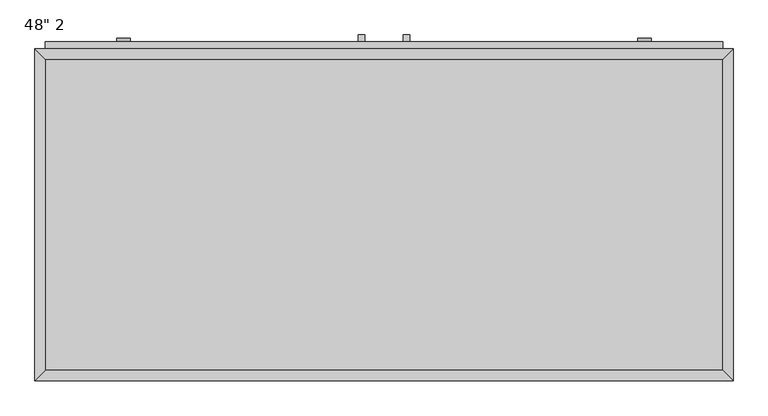
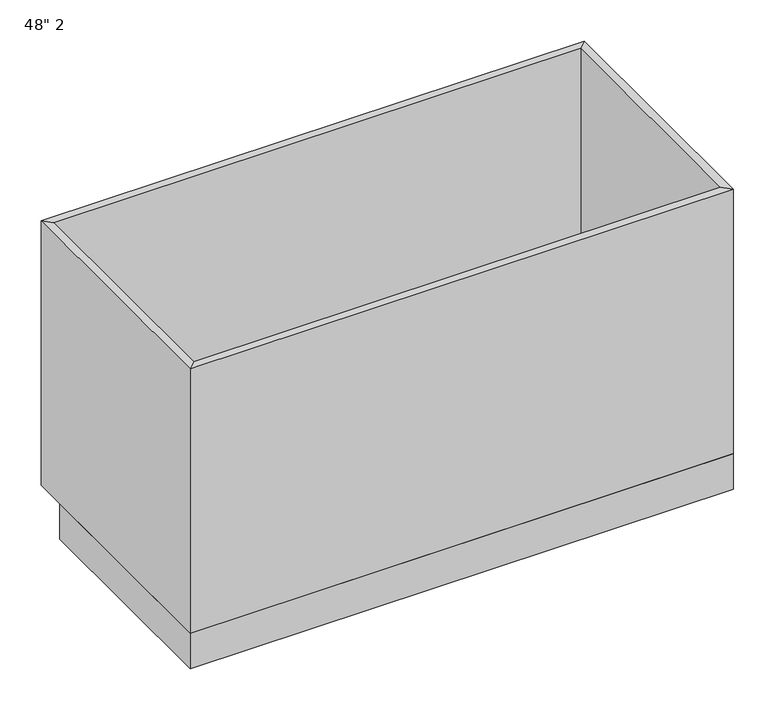
"""IFC4 building model written with IfcOpenShell, lengths in millimetres: furniture geometry."""

from ifc_helpers import new_model, si_unit, point, frame, frame_2d, origin, origin_with_axes, place, context, project, spatial, polyline, circle_curve, trimmed, segment, composite_curve, outline, extrude, faceted_brep, source, transform, mapped, element, save


def furniture_d9934db2(model_context):
    return source(origin(), model_context, "Body", "SolidModel", [
        extrude(outline(polyline([(55.91996, 635.0), (55.91996, 622.3), (43.21996, 622.3), (43.21996, 635.0), (55.91996, 635.0)])), frame((0.0, 0.0, 469.9), z_axis=(0.0, 0.0, 1.0), x_axis=(1.0, 0.0, 0.0)), (0.0, 0.0, 1.0), 101.6),
        extrude(outline(polyline([(138.46996, 635.0), (138.46996, 622.3), (125.76996, 622.3), (125.76996, 635.0), (138.46996, 635.0)])), frame((0.0, 0.0, 469.9), z_axis=(0.0, 0.0, 1.0), x_axis=(1.0, 0.0, 0.0)), (0.0, 0.0, 1.0), 101.6),
        extrude(outline(composite_curve([segment(trimmed(circle_curve(frame_2d((484.1875, -387.78629)), 12.7), [point((484.1875, -400.48629))], [point((484.1875, -375.08629))], False, "CARTESIAN"), True, "CONTINUOUS"), segment(trimmed(circle_curve(frame_2d((484.1875, -387.78629)), 12.7), [point((484.1875, -375.08629))], [point((484.1875, -400.48629))], False, "CARTESIAN"), True, "CONTINUOUS")], self_intersect=False)), frame((0.0, 622.3, 0.0), z_axis=(0.0, 1.0, 0.0), x_axis=(0.0, 0.0, 1.0)), (0.0, 0.0, 1.0), 6.35),
        extrude(outline(composite_curve([segment(trimmed(circle_curve(frame_2d((233.3625, -387.78629)), 12.7), [point((233.3625, -400.48629))], [point((233.3625, -375.08629))], False, "CARTESIAN"), True, "CONTINUOUS"), segment(trimmed(circle_curve(frame_2d((233.3625, -387.78629)), 12.7), [point((233.3625, -375.08629))], [point((233.3625, -400.48629))], False, "CARTESIAN"), True, "CONTINUOUS")], self_intersect=False)), frame((0.0, 622.3, 0.0), z_axis=(0.0, 1.0, 0.0), x_axis=(0.0, 0.0, 1.0)), (0.0, 0.0, 1.0), 6.35),
        extrude(outline(composite_curve([segment(trimmed(circle_curve(frame_2d((233.3625, 569.47621)), 12.7), [point((233.3625, 556.77621))], [point((233.3625, 582.17621))], False, "CARTESIAN"), True, "CONTINUOUS"), segment(trimmed(circle_curve(frame_2d((233.3625, 569.47621)), 12.7), [point((233.3625, 582.17621))], [point((233.3625, 556.77621))], False, "CARTESIAN"), True, "CONTINUOUS")], self_intersect=False)), frame((0.0, 622.3, 0.0), z_axis=(0.0, 1.0, 0.0), x_axis=(0.0, 0.0, 1.0)), (0.0, 0.0, 1.0), 6.35),
        extrude(outline(composite_curve([segment(trimmed(circle_curve(frame_2d((484.1875, 569.47621)), 12.7), [point((484.1875, 556.77621))], [point((484.1875, 582.17621))], False, "CARTESIAN"), True, "CONTINUOUS"), segment(trimmed(circle_curve(frame_2d((484.1875, 569.47621)), 12.7), [point((484.1875, 582.17621))], [point((484.1875, 556.77621))], False, "CARTESIAN"), True, "CONTINUOUS")], self_intersect=False)), frame((0.0, 622.3, 0.0), z_axis=(0.0, 1.0, 0.0), x_axis=(0.0, 0.0, 1.0)), (0.0, 0.0, 1.0), 6.35),
        extrude(outline(polyline([(713.14496, 19.05), (-531.45504, 19.05), (-531.45504, 590.55), (713.14496, 590.55), (713.14496, 19.05)])), frame((0.0, 0.0, 88.9), z_axis=(0.0, 0.0, 1.0), x_axis=(1.0, 0.0, 0.0)), (0.0, 0.0, 1.0), 19.05),
        faceted_brep([(713.14496, 590.55, 749.3), (-531.45504, 590.55, 749.3), (-531.45504, 590.55, 88.9), (713.14496, 590.55, 88.9), (732.19496, 609.6, 749.3), (-550.50504, 609.6, 749.3), (732.19496, 609.6, 88.9), (-550.50504, 609.6, 88.9), (-531.45504, 19.05, 749.3), (-531.45504, 19.05, 88.9), (-550.50504, 0.0, 749.3), (-550.50504, 0.0, 88.9), (713.14496, 19.05, 749.3), (713.14496, 19.05, 88.9), (732.19496, 0.0, 749.3), (732.19496, 0.0, 88.9)], [[[0, 1, 2, 3]], [[4, 5, 1, 0]], [[6, 7, 5, 4]], [[3, 2, 7, 6]], [[1, 8, 9, 2]], [[5, 10, 8, 1]], [[7, 11, 10, 5]], [[2, 9, 11, 7]], [[8, 12, 13, 9]], [[10, 14, 12, 8]], [[11, 15, 14, 10]], [[9, 13, 15, 11]], [[12, 0, 3, 13]], [[14, 4, 0, 12]], [[15, 6, 4, 14]], [[13, 3, 6, 15]]]),
        extrude(outline(polyline([(732.19496, 0.0), (-550.50504, 0.0), (-550.50504, 533.4), (732.19496, 533.4), (732.19496, 0.0)])), origin_with_axes(), (0.0, 0.0, 1.0), 88.9),
        extrude(outline(polyline([(713.14496, 622.3), (713.14496, 609.6), (-531.45504, 609.6), (-531.45504, 622.3), (713.14496, 622.3)])), frame((0.0, 0.0, 628.65), z_axis=(0.0, 0.0, 1.0), x_axis=(1.0, 0.0, 0.0)), (0.0, 0.0, 1.0), 101.6),
        extrude(outline(polyline([(713.14496, 622.3), (713.14496, 609.6), (425.80746, 609.6), (425.80746, 622.3), (713.14496, 622.3)])), frame((0.0, 0.0, 361.95), z_axis=(0.0, 0.0, 1.0), x_axis=(1.0, 0.0, 0.0)), (0.0, 0.0, 1.0), 247.65),
        extrude(outline(polyline([(713.14496, 622.3), (713.14496, 609.6), (425.80746, 609.6), (425.80746, 622.3), (713.14496, 622.3)])), frame((0.0, 0.0, 107.95), z_axis=(0.0, 0.0, 1.0), x_axis=(1.0, 0.0, 0.0)), (0.0, 0.0, 1.0), 247.65),
        extrude(outline(polyline([(-244.11754, 622.3), (-244.11754, 609.6), (-531.45504, 609.6), (-531.45504, 622.3), (-244.11754, 622.3)])), frame((0.0, 0.0, 361.95), z_axis=(0.0, 0.0, 1.0), x_axis=(1.0, 0.0, 0.0)), (0.0, 0.0, 1.0), 247.65),
        extrude(outline(polyline([(-244.11754, 622.3), (-244.11754, 609.6), (-531.45504, 609.6), (-531.45504, 622.3), (-244.11754, 622.3)])), frame((0.0, 0.0, 107.95), z_axis=(0.0, 0.0, 1.0), x_axis=(1.0, 0.0, 0.0)), (0.0, 0.0, 1.0), 247.65),
        extrude(outline(polyline([(81.31996, 622.3), (81.31996, 609.6), (-225.06754, 609.6), (-225.06754, 622.3), (81.31996, 622.3)])), frame((0.0, 0.0, 107.95), z_axis=(0.0, 0.0, 1.0), x_axis=(1.0, 0.0, 0.0)), (0.0, 0.0, 1.0), 501.65),
        extrude(outline(polyline([(406.75746, 622.3), (406.75746, 609.6), (100.36996, 609.6), (100.36996, 622.3), (406.75746, 622.3)])), frame((0.0, 0.0, 107.95), z_axis=(0.0, 0.0, 1.0), x_axis=(1.0, 0.0, 0.0)), (0.0, 0.0, 1.0), 501.65),
    ])


if __name__ == "__main__":
    model = new_model("IFC4")
    model_context = context("Model", 3, world=origin())
    ifc_project = project(units=[si_unit("LENGTHUNIT", "METRE", prefix="MILLI")], contexts=[model_context])
    site = spatial("IfcSite", under=ifc_project)
    building = spatial("IfcBuilding", under=site)
    placement = place(None, origin())
    furniture_shape = furniture_d9934db2(model_context)
    element("IfcFurniture", 1, ObjectType="48\" 2", at=placement, inside=building, context=model_context, shape_type="MappedRepresentation", body=[
        mapped(furniture_shape, transform((0.0, 0.0, 0.0), x_axis=(1.0, 0.0, 0.0), y_axis=(0.0, 1.0, 0.0), z_axis=(0.0, 0.0, 1.0))),
    ])
    save(model, "model.ifc")
